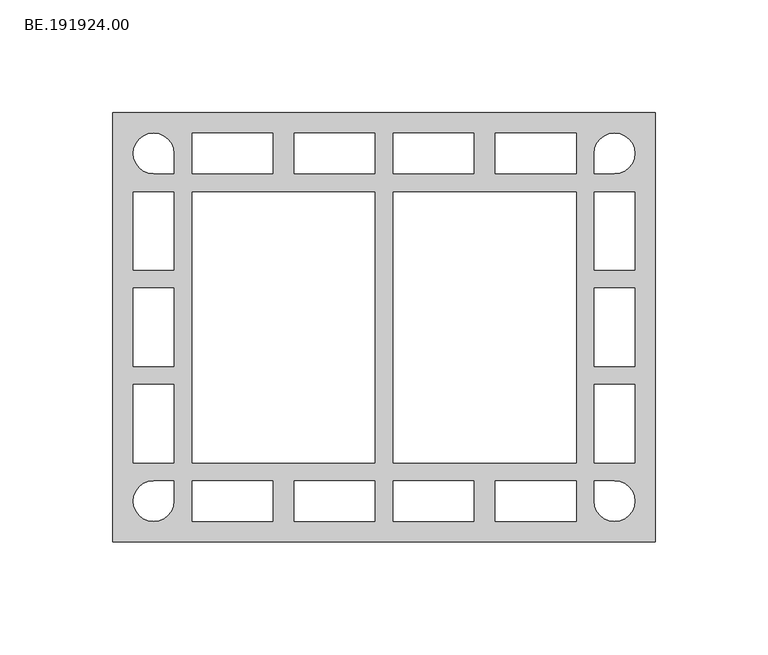
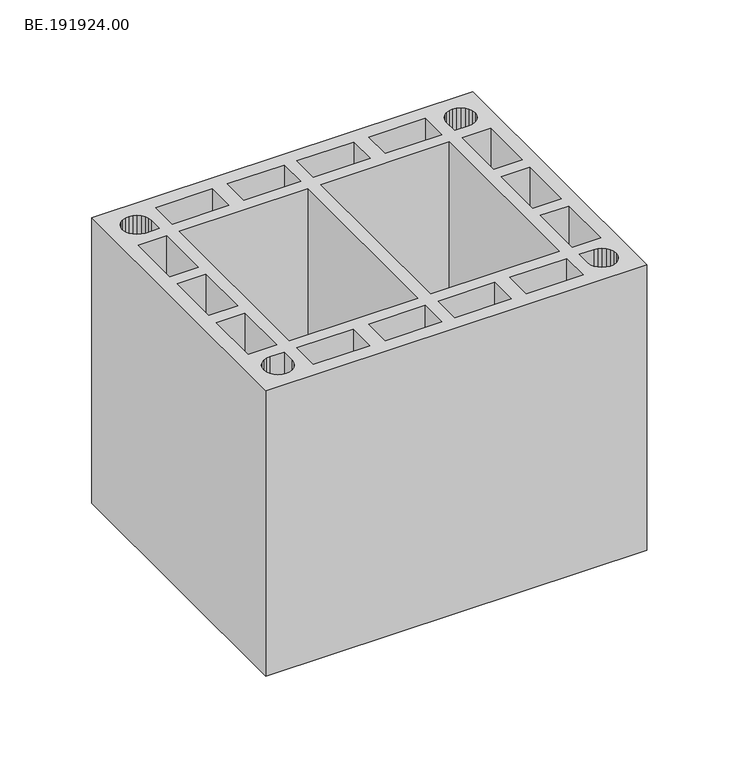
"""IFC4 building model written with IfcOpenShell, lengths in millimetres: proxy geometry, BE.191924.00."""

from ifc_helpers import new_model, si_unit, origin, origin_with_axes, place, context, project, spatial, polyline, outline, extrude, source, transform, mapped, element, save


def be_191924_00_f6a48a4b(model_context):
    return source(origin(), model_context, "Body", "SweptSolid", [
        extrude(outline(polyline([(245.0, 95.0050293), (245.0, -95.0050293), (5.0, -95.0050293), (5.0, 95.0050293), (245.0, 95.0050293)]), holes=[polyline([(23.0082031, 67.9927246), (32.0123047, 67.9927246), (32.0123047, 76.9968262), (31.6960449, 79.3222656), (30.8030762, 81.4802734), (29.3706055, 83.3592285), (27.5102539, 84.7916992), (25.3336426, 85.684668), (23.0082031, 85.9823242), (20.6827637, 85.684668), (18.5061523, 84.7916992), (16.6458008, 83.3592285), (15.2133301, 81.4802734), (14.3203613, 79.3222656), (14.0041016, 76.9968262), (14.3203613, 74.6527832), (15.2133301, 72.4947754), (16.6458008, 70.6344238), (18.5061523, 69.2019531), (20.6827637, 68.2903809), (23.0082031, 67.9927246)]), polyline([(32.0123047, -60.0118164), (32.0123047, -25.3286865), (14.0041016, -25.3286865), (14.0041016, -60.0118164), (32.0123047, -60.0118164)]), polyline([(32.0123047, -77.0154297), (32.0123047, -68.0113281), (23.0082031, -68.0113281), (20.6827637, -68.3089844), (18.5061523, -69.2205566), (16.6458008, -70.6530273), (15.2133301, -72.5133789), (14.3203613, -74.6899902), (14.0041016, -77.0154297), (14.3203613, -79.3408691), (15.2133301, -81.5174805), (16.6458008, -83.377832), (18.5061523, -84.8103027), (20.6827637, -85.7032715), (23.0082031, -86.0195312), (25.3336426, -85.7032715), (27.5102539, -84.8103027), (29.3706055, -83.377832), (30.8030762, -81.5174805), (31.6960449, -79.3408691), (32.0123047, -77.0154297)]), polyline([(121.0115234, -68.0113281), (85.2741699, -68.0113281), (85.2741699, -86.0195312), (121.0115234, -86.0195312), (121.0115234, -68.0113281)]), polyline([(210.0107422, -68.0113281), (174.2733887, -68.0113281), (174.2733887, -86.0195312), (210.0107422, -86.0195312), (210.0107422, -68.0113281)]), polyline([(235.9998535, -60.0118164), (235.9998535, -25.3286865), (218.0102539, -25.3286865), (218.0102539, -60.0118164), (235.9998535, -60.0118164)]), polyline([(218.0102539, 59.9932129), (218.0102539, 25.3286865), (235.9998535, 25.3286865), (235.9998535, 59.9932129), (218.0102539, 59.9932129)]), polyline([(218.0102539, 67.9927246), (227.0143555, 67.9927246), (229.3397949, 68.2903809), (231.4978027, 69.2019531), (233.3767578, 70.6344238), (234.8092285, 72.4947754), (235.7021973, 74.6527832), (235.9998535, 76.9968262), (235.7021973, 79.3222656), (234.8092285, 81.4802734), (233.3767578, 83.3592285), (231.4978027, 84.7916992), (229.3397949, 85.684668), (227.0143555, 85.9823242), (224.6703125, 85.684668), (222.5123047, 84.7916992), (220.6333496, 83.3592285), (219.2194824, 81.4802734), (218.3079102, 79.3222656), (218.0102539, 76.9968262), (218.0102539, 67.9927246)]), polyline([(218.3079102, -79.3408691), (219.2194824, -81.5174805), (220.6333496, -83.377832), (222.5123047, -84.8103027), (224.6703125, -85.7032715), (227.0143555, -86.0195312), (229.3397949, -85.7032715), (231.4978027, -84.8103027), (233.3767578, -83.377832), (234.8092285, -81.5174805), (235.7021973, -79.3408691), (235.9998535, -77.0154297), (235.7021973, -74.6899902), (234.8092285, -72.5133789), (233.3767578, -70.6530273), (231.4978027, -69.2205566), (229.3397949, -68.3089844), (227.0143555, -68.0113281), (218.0102539, -68.0113281), (218.0102539, -77.0154297), (218.3079102, -79.3408691)]), polyline([(174.2733887, 67.9927246), (210.0107422, 67.9927246), (210.0107422, 85.9823242), (174.2733887, 85.9823242), (174.2733887, 67.9927246)]), polyline([(129.0110352, 67.9927246), (164.7297852, 67.9927246), (164.7297852, 85.9823242), (129.0110352, 85.9823242), (129.0110352, 67.9927246)]), polyline([(85.2741699, 67.9927246), (121.0115234, 67.9927246), (121.0115234, 85.9823242), (85.2741699, 85.9823242), (85.2741699, 67.9927246)]), polyline([(40.0118164, 67.9927246), (75.7305664, 67.9927246), (75.7305664, 85.9823242), (40.0118164, 85.9823242), (40.0118164, 67.9927246)]), polyline([(32.0123047, 59.9932129), (14.0041016, 59.9932129), (14.0041016, 25.3286865), (32.0123047, 25.3286865), (32.0123047, 59.9932129)]), polyline([(210.0107422, -60.0118164), (210.0107422, 59.9932129), (128.9924316, 59.9932129), (128.9924316, -60.0118164), (210.0107422, -60.0118164)]), polyline([(120.9929199, 59.9932129), (40.0118164, 59.9932129), (40.0118164, -60.0118164), (120.9929199, -60.0118164), (120.9929199, 59.9932129)]), polyline([(164.7297852, -68.0113281), (129.0110352, -68.0113281), (129.0110352, -86.0195312), (164.7297852, -86.0195312), (164.7297852, -68.0113281)]), polyline([(40.0118164, -86.0195312), (75.7305664, -86.0195312), (75.7305664, -68.0113281), (40.0118164, -68.0113281), (40.0118164, -86.0195312)]), polyline([(14.0041016, 17.3291748), (14.0041016, -17.3291748), (32.0123047, -17.3291748), (32.0123047, 17.3291748), (14.0041016, 17.3291748)]), polyline([(218.0102539, 17.3291748), (218.0102539, -17.3291748), (235.9998535, -17.3291748), (235.9998535, 17.3291748), (218.0102539, 17.3291748)])]), origin_with_axes(), (0.0, 0.0, 1.0), 190.0),
    ])


if __name__ == "__main__":
    model = new_model("IFC4")
    model_context = context("Model", 3, world=origin())
    ifc_project = project(units=[si_unit("LENGTHUNIT", "METRE", prefix="MILLI")], contexts=[model_context])
    site = spatial("IfcSite", under=ifc_project)
    building = spatial("IfcBuilding", under=site)
    placement = place(None, origin())
    be_191924_00_shape = be_191924_00_f6a48a4b(model_context)
    element("IfcBuildingElementProxy", 1, Name="BE.191924.00", ObjectType="BE.191924.00", at=placement, inside=building, context=model_context, shape_type="MappedRepresentation", body=[
        mapped(be_191924_00_shape, transform((0.0, 0.0, 0.0), x_axis=(1.0, 0.0, 0.0), y_axis=(0.0, 1.0, 0.0), z_axis=(0.0, 0.0, 1.0))),
    ])
    save(model, "model.ifc")
